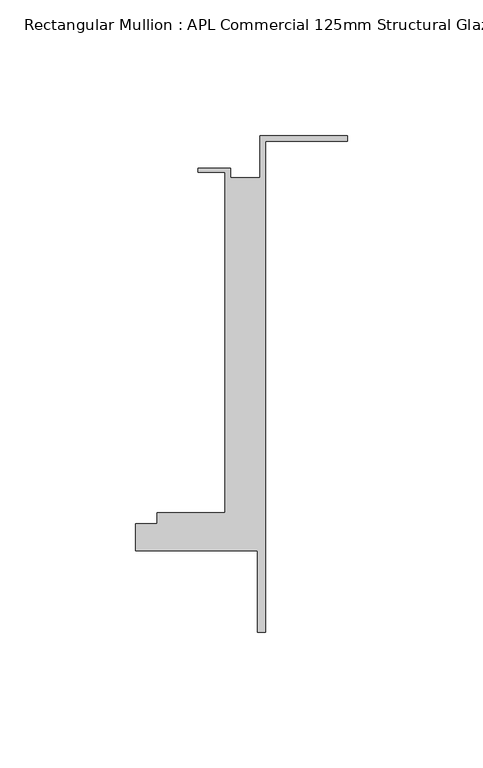
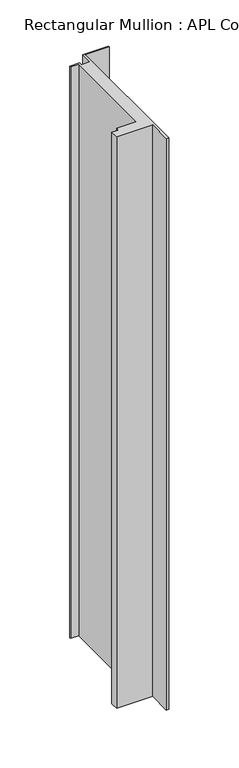
"""IFC4 building model written with IfcOpenShell, lengths in millimetres: member geometry, Rectangular Mullion : APL Commercial 125mm Structural Glaze SubSill."""

from ifc_helpers import new_model, si_unit, frame, origin, place, context, project, spatial, polyline, outline, extrude, source, transform, mapped, element, save


def rectangular_mullion_apl_commercial_125mm_structural_glaze_c5a34cb1(model_context):
    return source(origin(), model_context, "Body", "SweptSolid", [
        extrude(outline(polyline([(-32.1465839, 41.25), (0.0, 41.25), (0.0, 39.25), (-30.1465839, 39.25), (-30.1465839, -141.75), (-33.1466122, -141.75), (-33.1466122, -111.75), (-78.1466122, -111.75), (-78.1466122, -101.75), (-70.1466122, -101.75), (-70.1466122, -97.75), (-45.1465839, -97.75), (-45.1465839, 27.75), (-55.1465839, 27.75), (-55.1465839, 29.25), (-43.1465839, 29.25), (-43.1465839, 25.75), (-32.1465839, 25.75), (-32.1465839, 41.25)])), frame((0.0, 0.0, -756.8320028), z_axis=(0.0, 0.0, 1.0), x_axis=(1.0, 0.0, 0.0)), (0.0, 0.0, 1.0), 756.8320028),
    ])


if __name__ == "__main__":
    model = new_model("IFC4")
    model_context = context("Model", 3, world=origin())
    ifc_project = project(units=[si_unit("LENGTHUNIT", "METRE", prefix="MILLI")], contexts=[model_context])
    site = spatial("IfcSite", under=ifc_project)
    building = spatial("IfcBuilding", under=site)
    placement = place(None, origin())
    rectangular_mullion_apl_commercial_125mm_structural_glaze_shape = rectangular_mullion_apl_commercial_125mm_structural_glaze_c5a34cb1(model_context)
    element("IfcMember", 1, ObjectType="Rectangular Mullion : APL Commercial 125mm Structural Glaze SubSill", at=placement, inside=building, context=model_context, shape_type="MappedRepresentation", body=[
        mapped(rectangular_mullion_apl_commercial_125mm_structural_glaze_shape, transform((0.0, 0.0, 0.0), x_axis=(1.0, 0.0, 0.0), y_axis=(0.0, 1.0, 0.0), z_axis=(0.0, 0.0, 1.0))),
    ])
    save(model, "model.ifc")
